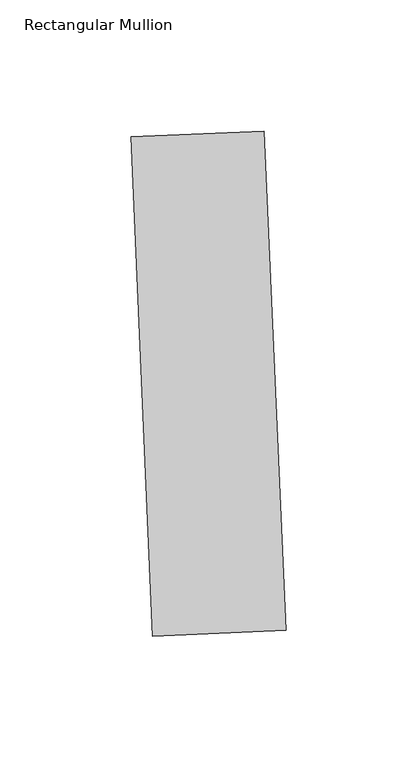
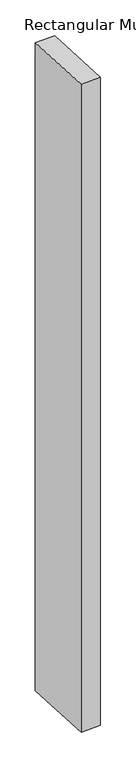
"""IFC4 building model written with IfcOpenShell, lengths in millimetres: member geometry, Rectangular Mullion."""

import ifcopenshell
import ifcopenshell.guid

model = None  # the IFC model being written
_history = None  # IfcOwnerHistory: only IFC2X3 demands one
_inside = {}  # id of a spatial element -> (the spatial element, [elements in it])
_under = {}  # id of a project, library or spatial element -> (it, [spatial elements below it])
_declared = {}  # id of a project -> (the project, [libraries it declares])
_typed = {}  # id of a type object -> (the type object, [elements of that type])
_made_of = {}  # id of a material, layer set ... -> (it, [elements and type objects made of it])


def new_model(schema):
    """Start an empty IFC model of exactly this schema.

    Asked for "IFC4X3", IfcOpenShell would pick the latest addendum, in which some entities
    have other attributes; the version numbers below select the first issue.
    IFC2X3 requires an IfcOwnerHistory on every rooted entity: one is made here for all.
    """
    global model, _history
    if schema == "IFC4X3":
        model = ifcopenshell.file(schema_version=(4, 3, 0, 0))
    else:
        model = ifcopenshell.file(schema=schema)
    _inside.clear()
    _under.clear()
    _declared.clear()
    _typed.clear()
    _made_of.clear()
    _history = None
    if model.schema == "IFC2X3":
        org = make("IfcOrganization", Name="unknown")
        user = make(
            "IfcPersonAndOrganization",
            ThePerson=make("IfcPerson", FamilyName="unknown"),
            TheOrganization=org,
        )
        app = make(
            "IfcApplication",
            ApplicationDeveloper=org,
            Version="unknown",
            ApplicationFullName="unknown",
            ApplicationIdentifier="unknown",
        )
        _history = make(
            "IfcOwnerHistory",
            OwningUser=user,
            OwningApplication=app,
            ChangeAction="ADDED",
            CreationDate=0,
        )
    return model


def make(cls, **values):
    """One entity of the class cls with the attributes given. An attribute that is None is left unset."""
    return model.create_entity(
        cls, **{name: value for name, value in values.items() if value is not None}
    )


def rooted(cls, **values):
    """An entity with a GlobalId (a new one), such as an element, a storey or a relation."""
    return make(cls, GlobalId=ifcopenshell.guid.new(), OwnerHistory=_history, **values)


def si_unit(unit_type, name, prefix=None):
    """IfcSIUnit, for example si_unit("LENGTHUNIT", "METRE", prefix="MILLI")."""
    return make("IfcSIUnit", UnitType=unit_type, Prefix=prefix, Name=name)


def assignment(units):
    """IfcUnitAssignment: the units of a project."""
    return None if units is None else make("IfcUnitAssignment", Units=units)


def point(xyz):
    """IfcCartesianPoint."""
    return None if xyz is None else make("IfcCartesianPoint", Coordinates=xyz)


def direction(xyz):
    """IfcDirection."""
    return None if xyz is None else make("IfcDirection", DirectionRatios=xyz)


def frame(location, z_axis=None, x_axis=None):
    """IfcAxis2Placement3D, a coordinate frame: its origin and axes. An axis left out is left unset."""
    return make(
        "IfcAxis2Placement3D",
        Location=point(location),
        Axis=direction(z_axis),
        RefDirection=direction(x_axis),
    )


def origin():
    """The frame at (0, 0, 0) with its axes left unset."""
    return frame((0.0, 0.0, 0.0))


def place(relative_to, where):
    """IfcLocalPlacement: puts the frame where relative to a parent placement (None: the world)."""
    return make(
        "IfcLocalPlacement", PlacementRelTo=relative_to, RelativePlacement=where
    )


def context(
    kind, dimensions, precision=None, world=None, true_north=None, identifier=None
):
    """IfcGeometricRepresentationContext, for example the 3D "Model" context."""
    return make(
        "IfcGeometricRepresentationContext",
        ContextIdentifier=identifier,
        ContextType=kind,
        CoordinateSpaceDimension=dimensions,
        Precision=precision,
        WorldCoordinateSystem=world,
        TrueNorth=true_north,
    )


def project(units=None, contexts=None):
    """IfcProject with its units and contexts."""
    return rooted(
        "IfcProject",
        Name="project",
        RepresentationContexts=contexts,
        UnitsInContext=assignment(units),
    )


def spatial(cls, under=None, at=None, **own):
    """A site, building, storey or space (cls), placed at a placement, below another one or the project."""
    s = rooted(cls, ObjectPlacement=at, **own)
    if under is not None:
        _under.setdefault(under.id(), (under, []))[1].append(s)
    return s


def polyline(points):
    """IfcPolyline through the points."""
    return make("IfcPolyline", Points=[point(p) for p in points])


def outline(outer, holes=None, kind="AREA"):
    """IfcArbitraryClosedProfileDef: a profile drawn as a closed curve; with holes, ...WithVoids."""
    if holes is None:
        return make("IfcArbitraryClosedProfileDef", ProfileType=kind, OuterCurve=outer)
    return make(
        "IfcArbitraryProfileDefWithVoids",
        ProfileType=kind,
        OuterCurve=outer,
        InnerCurves=holes,
    )


def extrude(swept, where, along, depth):
    """IfcExtrudedAreaSolid: the profile swept, set in the frame where, extruded along a direction by depth."""
    return make(
        "IfcExtrudedAreaSolid",
        SweptArea=swept,
        Position=where,
        ExtrudedDirection=direction(along),
        Depth=depth,
    )


def shape(context_of_items, identifier, shape_type, items):
    """IfcShapeRepresentation: the items that make up one representation, for example the "Body"."""
    return make(
        "IfcShapeRepresentation",
        ContextOfItems=context_of_items,
        RepresentationIdentifier=identifier,
        RepresentationType=shape_type,
        Items=items,
    )


def source(mapping_origin, context_of_items, identifier, shape_type, items):
    """IfcRepresentationMap: a shape defined once, which mapped items show again and again."""
    return make(
        "IfcRepresentationMap",
        MappingOrigin=mapping_origin,
        MappedRepresentation=shape(context_of_items, identifier, shape_type, items),
    )


def transform(
    local_origin,
    x_axis=None,
    y_axis=None,
    z_axis=None,
    scale=None,
    scale2=None,
    scale3=None,
    uniform=True,
):
    """IfcCartesianTransformationOperator3D, or its non-uniform kind. x_axis, y_axis, z_axis: its Axis1, 2, 3."""
    if uniform:
        return make(
            "IfcCartesianTransformationOperator3D",
            Axis1=direction(x_axis),
            Axis2=direction(y_axis),
            LocalOrigin=point(local_origin),
            Scale=scale,
            Axis3=direction(z_axis),
        )
    return make(
        "IfcCartesianTransformationOperator3DnonUniform",
        Axis1=direction(x_axis),
        Axis2=direction(y_axis),
        LocalOrigin=point(local_origin),
        Scale=scale,
        Axis3=direction(z_axis),
        Scale2=scale2,
        Scale3=scale3,
    )


def mapped(mapping_source, mapping_target):
    """IfcMappedItem: shows the shape of a source again, moved by a transform."""
    return make(
        "IfcMappedItem", MappingSource=mapping_source, MappingTarget=mapping_target
    )


def made_of(thing, what):
    """Note that an element or type object is made of a material, layer set ...; save() writes the relation."""
    if what is not None:
        _made_of.setdefault(what.id(), (what, []))[1].append(thing)
    return thing


def element(
    cls,
    number,
    at=None,
    inside=None,
    cuts=None,
    type_object=None,
    material=None,
    context=None,
    identifier="Body",
    shape_type=None,
    held_by="IfcProductDefinitionShape",
    body=None,
    shapes=None,
    **own,
):
    """One element of the class cls, such as IfcWall. Its Tag is "e" and its number.

    at: its placement. inside: the storey or other place that contains it. cuts: it is an
    opening in that element (IfcRelVoidsElement). A single representation is given by context,
    identifier, shape_type and body (its items); several are given by shapes. held_by: the class
    of the entity that holds the representations. save() writes the other relations.
    """
    e = rooted(cls, Tag="e%d" % number, ObjectPlacement=at, **own)
    if body is not None:
        shapes = [shape(context, identifier, shape_type, body)]
    if shapes is not None:
        e.Representation = make(held_by, Representations=shapes)
    if inside is not None:
        _inside.setdefault(inside.id(), (inside, []))[1].append(e)
    if cuts is not None:
        rooted(
            "IfcRelVoidsElement", RelatingBuildingElement=cuts, RelatedOpeningElement=e
        )
    if type_object is not None:
        _typed.setdefault(type_object.id(), (type_object, []))[1].append(e)
    return made_of(e, material)


def aggregate(whole, parts):
    """IfcRelAggregates: a whole, such as a stair, and the parts it consists of."""
    return rooted("IfcRelAggregates", RelatingObject=whole, RelatedObjects=parts)


def save(model, path):
    """Write the relations noted so far, then the file.

    IfcRelAggregates (storeys below a building ...), IfcRelContainedInSpatialStructure (elements
    in a storey), IfcRelDefinesByType, IfcRelAssociatesMaterial and IfcRelDeclares: one each for
    every whole, place, type object, material and project.
    """
    for whole, parts in _under.values():
        aggregate(whole, parts)
    for where, things in _inside.values():
        rooted(
            "IfcRelContainedInSpatialStructure",
            RelatedElements=things,
            RelatingStructure=where,
        )
    for kind, things in _typed.values():
        rooted("IfcRelDefinesByType", RelatedObjects=things, RelatingType=kind)
    for what, things in _made_of.values():
        rooted("IfcRelAssociatesMaterial", RelatedObjects=things, RelatingMaterial=what)
    for by, libraries in _declared.values():
        rooted("IfcRelDeclares", RelatingContext=by, RelatedDefinitions=libraries)
    model.write(path)


def rectangular_mullion_49837012(model_context):
    return source(origin(), model_context, "Body", "SweptSolid", [
        extrude(outline(polyline([(32.4388941, -160.6629508), (-18.3127555, -162.8788157), (-26.6222488, 27.4398705), (24.1294008, 29.6557354), (32.4388941, -160.6629508)])), frame((0.0, 0.0, -1765.3), z_axis=(0.0, 0.0, 1.0), x_axis=(1.0, 0.0, 0.0)), (0.0, 0.0, 1.0), 1765.3),
    ])


if __name__ == "__main__":
    model = new_model("IFC4")
    model_context = context("Model", 3, world=origin())
    ifc_project = project(units=[si_unit("LENGTHUNIT", "METRE", prefix="MILLI")], contexts=[model_context])
    site = spatial("IfcSite", under=ifc_project)
    building = spatial("IfcBuilding", under=site)
    placement = place(None, origin())
    rectangular_mullion_shape = rectangular_mullion_49837012(model_context)
    element("IfcMember", 1, ObjectType="Rectangular Mullion", at=placement, inside=building, context=model_context, shape_type="MappedRepresentation", body=[
        mapped(rectangular_mullion_shape, transform((0.0, 0.0, 0.0), x_axis=(1.0, 0.0, 0.0), y_axis=(0.0, 1.0, 0.0), z_axis=(0.0, 0.0, 1.0))),
    ])
    save(model, "model.ifc")
